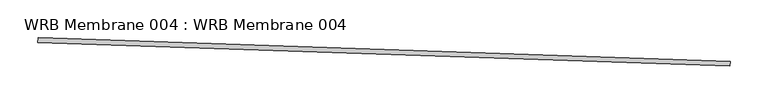
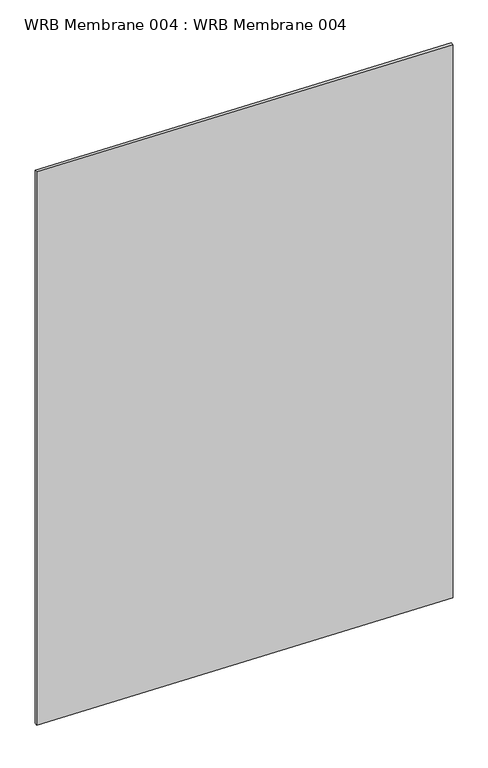
"""IFC4 building model written with IfcOpenShell, lengths in millimetres: proxy geometry, WRB Membrane 004 : WRB Membrane 004."""

from ifc_helpers import new_model, si_unit, frame, origin, place, context, project, spatial, polyline, outline, extrude, source, transform, mapped, element, save


def wrb_membrane_004_wrb_membrane_004_486bd21d(model_context):
    return source(origin(), model_context, "Body", "SweptSolid", [
        extrude(outline(polyline([(34365.9099063, -15148.5841427), (34365.692725, -15154.9304276), (33451.8276966, -15123.6563183), (33452.0448779, -15117.3100334), (34365.9099063, -15148.5841427)])), frame((0.0, 0.0, 3009.9), z_axis=(0.0, 0.0, 1.0), x_axis=(1.0, 0.0, 0.0)), (0.0, 0.0, 1.0), 1308.1),
    ])


if __name__ == "__main__":
    model = new_model("IFC4")
    model_context = context("Model", 3, world=origin())
    ifc_project = project(units=[si_unit("LENGTHUNIT", "METRE", prefix="MILLI")], contexts=[model_context])
    site = spatial("IfcSite", under=ifc_project)
    building = spatial("IfcBuilding", under=site)
    placement = place(None, origin())
    wrb_membrane_004_wrb_membrane_004_shape = wrb_membrane_004_wrb_membrane_004_486bd21d(model_context)
    element("IfcBuildingElementProxy", 1, Name="WRB Membrane 004 : WRB Membrane 004", ObjectType="WRB Membrane 004 : WRB Membrane 004", at=placement, inside=building, context=model_context, shape_type="MappedRepresentation", body=[
        mapped(wrb_membrane_004_wrb_membrane_004_shape, transform((0.0, 0.0, 0.0), x_axis=(1.0, 0.0, 0.0), y_axis=(0.0, 1.0, 0.0), z_axis=(0.0, 0.0, 1.0))),
    ])
    save(model, "model.ifc")
